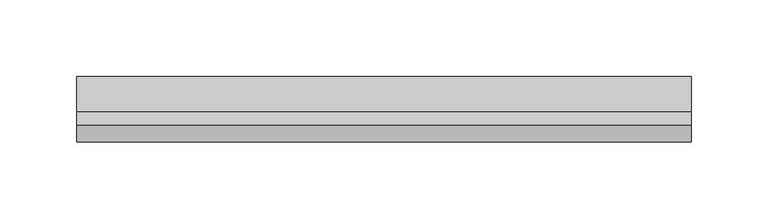
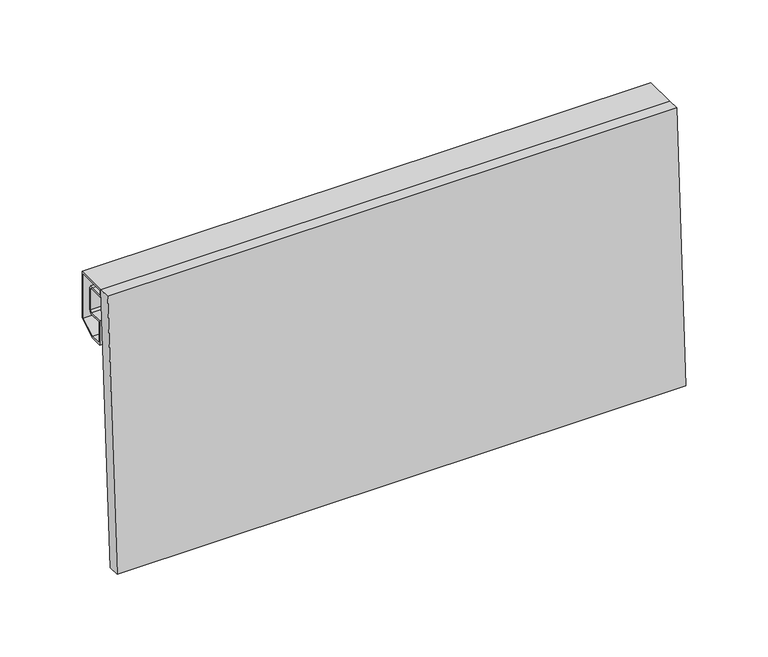
"""IFC4 building model written with IfcOpenShell, lengths in millimetres: plate geometry."""

from ifc_helpers import new_model, si_unit, frame, origin, place, context, project, spatial, polyline, outline, extrude, source, transform, mapped, element, save


def plate_180fcbd9(model_context):
    return source(origin(), model_context, "Body", "SweptSolid", [
        extrude(outline(polyline([(0.0, 8.5), (400.0, 8.5), (400.0, 0.0), (0.0, 0.0), (0.0, 8.5)])), frame((200.0, -11.0929581, 0.0), z_axis=(0.0, 0.05537967254200552, 0.9984653683874771), x_axis=(-1.0, 0.0, 0.0)), (0.0, 0.0, 1.0), 200.3073981),
        extrude(outline(polyline([(23.0, 165.1685791), (10.3922729, 158.0), (1.5, 158.0), (1.5, 176.0), (11.5857849, 176.0), (13.0, 177.4142151), (13.0, 192.5857849), (11.5857849, 194.0), (0.0, 194.0), (0.0, 200.0), (23.0, 200.0), (23.0, 165.1685791)]), holes=[polyline([(1.5, 198.5), (1.5, 195.5), (12.2071053, 195.5), (14.5, 193.2071053), (14.5, 176.7928947), (12.2071053, 174.5), (3.0, 174.5), (3.0, 159.5), (9.9956483, 159.5), (21.5, 166.0412151), (21.5, 198.5), (1.5, 198.5)])]), frame((-200.0, 0.0, 0.0), z_axis=(1.0, 0.0, 0.0), x_axis=(0.0, 1.0, 0.0)), (0.0, 0.0, 1.0), 400.0),
    ])


if __name__ == "__main__":
    model = new_model("IFC4")
    model_context = context("Model", 3, world=origin())
    ifc_project = project(units=[si_unit("LENGTHUNIT", "METRE", prefix="MILLI")], contexts=[model_context])
    site = spatial("IfcSite", under=ifc_project)
    building = spatial("IfcBuilding", under=site)
    placement = place(None, origin())
    plate_shape = plate_180fcbd9(model_context)
    element("IfcPlate", 1, at=placement, inside=building, context=model_context, shape_type="MappedRepresentation", body=[
        mapped(plate_shape, transform((0.0, 0.0, 0.0), x_axis=(1.0, 0.0, 0.0), y_axis=(0.0, 1.0, 0.0), z_axis=(0.0, 0.0, 1.0))),
    ])
    save(model, "model.ifc")
